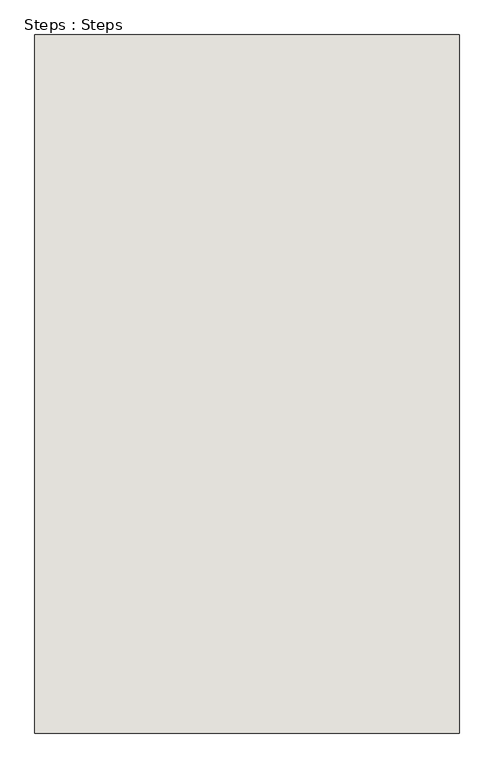
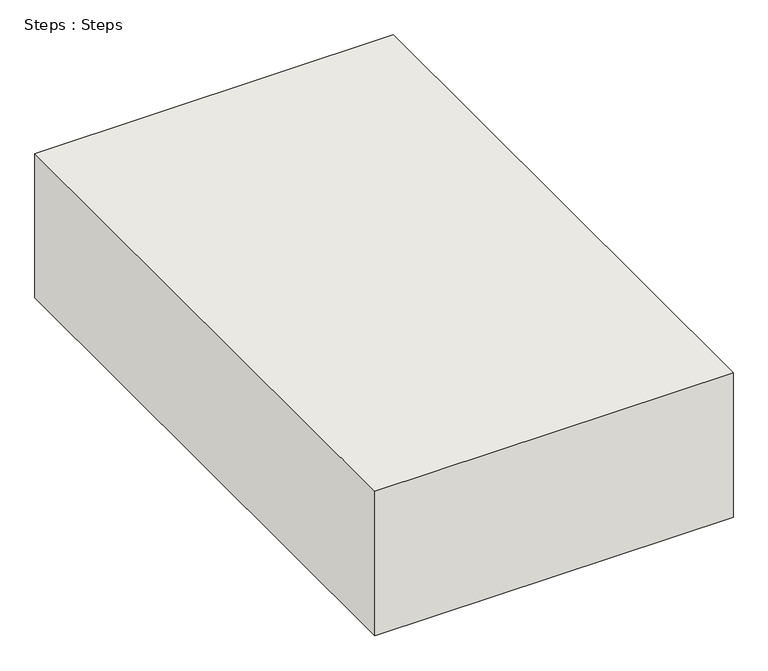
"""IFC4 building model written with IfcOpenShell, lengths in millimetres: wall geometry, Steps : Steps."""

from ifc_helpers import new_model, si_unit, origin, place, context, project, spatial, faceted_brep, source, transform, mapped, element, save


def steps_steps_60b423b8(model_context):
    return source(origin(), model_context, "Body", "Brep", [
        faceted_brep([(14125.8871669, -10416.4114294, -9.7279224), (14125.8871669, -12143.6114294, -9.7279224), (15176.3409002, -12143.6114294, -9.7279224), (15176.3409002, -10416.4114294, -9.7279224), (14125.8871669, -10416.4114294, -457.2), (15176.3409002, -10416.4114294, -457.2), (15176.3409002, -12143.6114294, -457.2), (14125.8871669, -12143.6114294, -457.2), (15176.3409002, -12143.6114294, -304.8), (15176.3409002, -12143.6114294, -152.4), (15176.3409002, -10416.4114294, -304.8), (15176.3409002, -10416.4114294, -152.4)], [[[0, 1, 2, 3]], [[4, 5, 6, 7]], [[1, 0, 4, 7]], [[2, 1, 7, 6, 8, 9]], [[3, 2, 9, 8, 6, 5, 10, 11]], [[0, 3, 11, 10, 5, 4]]]),
    ])


if __name__ == "__main__":
    model = new_model("IFC4")
    model_context = context("Model", 3, world=origin())
    ifc_project = project(units=[si_unit("LENGTHUNIT", "METRE", prefix="MILLI")], contexts=[model_context])
    site = spatial("IfcSite", under=ifc_project)
    building = spatial("IfcBuilding", under=site)
    placement = place(None, origin())
    steps_steps_shape = steps_steps_60b423b8(model_context)
    element("IfcWall", 1, ObjectType="Steps : Steps", at=placement, inside=building, context=model_context, shape_type="MappedRepresentation", body=[
        mapped(steps_steps_shape, transform((0.0, 0.0, 0.0), x_axis=(1.0, 0.0, 0.0), y_axis=(0.0, 1.0, 0.0), z_axis=(0.0, 0.0, 1.0))),
    ])
    save(model, "model.ifc")
